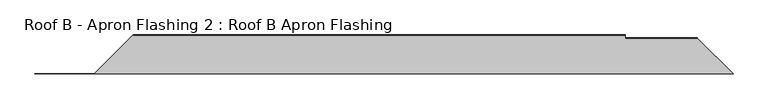
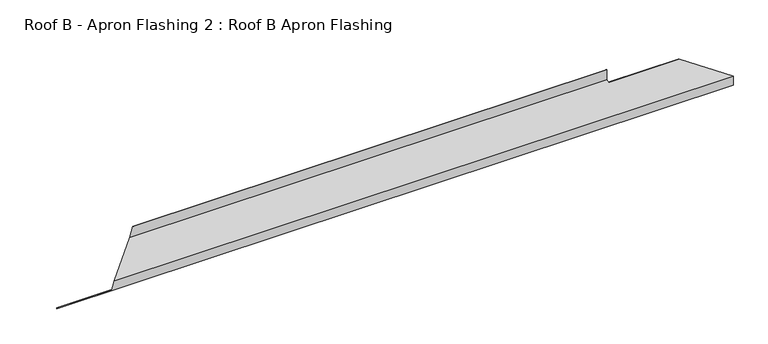
"""IFC4 building model written with IfcOpenShell, lengths in millimetres: proxy geometry, Roof B - Apron Flashing 2 : Roof B Apron Flashing."""

from ifc_helpers import new_model, si_unit, origin, place, context, project, spatial, faceted_brep, source, transform, mapped, element, save


def roof_b_apron_flashing_2_roof_b_apron_flashing_2cea8f58(model_context):
    return source(origin(), model_context, "Body", "Brep", [
        faceted_brep([(474.6842337, -3905.5534225, 3496.9088838), (678.4322156, -3701.8054406, 3551.5029911), (3270.0, -3701.8054406, 3551.5029911), (3270.0, -3717.1696487, 3547.3861639), (3649.0213013, -3717.1696487, 3547.3861639), (3837.4050751, -3905.5534225, 3496.9088838), (693.3399365, -3701.8054406, 3611.1338746), (3270.0, -3701.8054406, 3611.1338746), (692.4069238, -3702.8054406, 3611.1338746), (3270.0, -3702.8054406, 3611.1338746), (677.6910347, -3702.8054406, 3552.270318), (3270.0, -3702.8054406, 3552.270318), (473.9430527, -3906.5534225, 3497.6762108), (3838.4050751, -3906.5534225, 3497.6762108), (3652.8850046, -3721.033352, 3547.3861639), (3270.0, -3721.033352, 3547.3861639), (462.1647781, -3906.5534225, 3450.5631123), (161.5949249, -3906.5534225, 3450.5631123), (161.5949249, -3906.5534225, 3446.4262108), (3838.4050751, -3906.5534225, 3446.4262108), (162.5949249, -3905.5534225, 3446.4262108), (3837.4050751, -3905.5534225, 3446.4262108), (463.1647781, -3905.5534225, 3450.8310615), (162.5949249, -3905.5534225, 3450.8310615)], [[[0, 1, 2, 3, 4, 5]], [[1, 6, 7, 2]], [[6, 8, 9, 7]], [[8, 10, 11, 9]], [[10, 12, 13, 14, 15, 11]], [[12, 16, 17, 18, 19, 13]], [[18, 20, 21, 19]], [[22, 0, 5, 21, 20, 23]], [[16, 22, 23, 17]], [[1, 0, 22, 16, 12, 10, 8, 6]], [[18, 17, 23, 20]], [[3, 15, 14, 4]], [[15, 3, 2, 7, 9, 11]], [[5, 4, 14, 13, 19, 21]]]),
    ])


if __name__ == "__main__":
    model = new_model("IFC4")
    model_context = context("Model", 3, world=origin())
    ifc_project = project(units=[si_unit("LENGTHUNIT", "METRE", prefix="MILLI")], contexts=[model_context])
    site = spatial("IfcSite", under=ifc_project)
    building = spatial("IfcBuilding", under=site)
    placement = place(None, origin())
    roof_b_apron_flashing_2_roof_b_apron_flashing_shape = roof_b_apron_flashing_2_roof_b_apron_flashing_2cea8f58(model_context)
    element("IfcBuildingElementProxy", 1, Name="Roof B - Apron Flashing 2 : Roof B Apron Flashing", ObjectType="Roof B - Apron Flashing 2 : Roof B Apron Flashing", at=placement, inside=building, context=model_context, shape_type="MappedRepresentation", body=[
        mapped(roof_b_apron_flashing_2_roof_b_apron_flashing_shape, transform((0.0, 0.0, 0.0), x_axis=(1.0, 0.0, 0.0), y_axis=(0.0, 1.0, 0.0), z_axis=(0.0, 0.0, 1.0))),
    ])
    save(model, "model.ifc")
